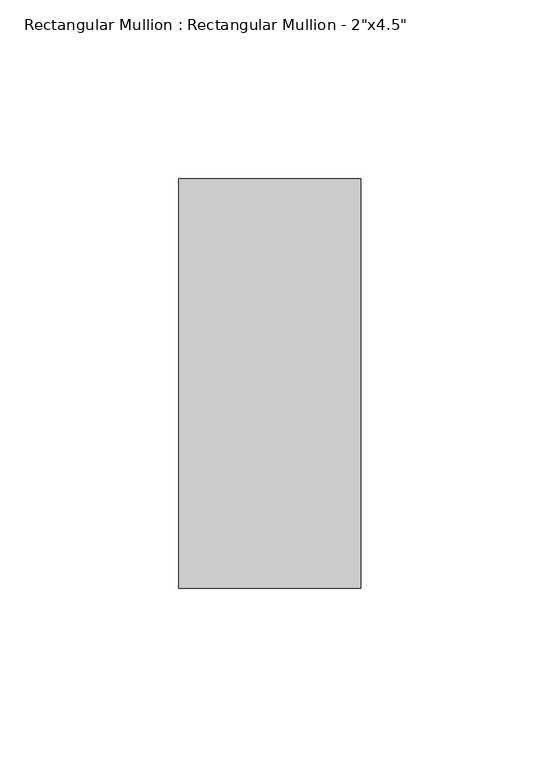
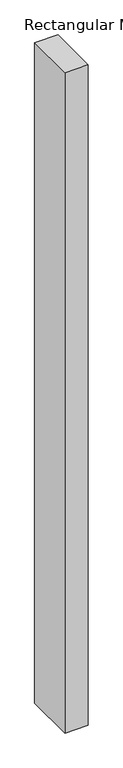
"""IFC4 building model written with IfcOpenShell, lengths in millimetres: member geometry."""

from ifc_helpers import new_model, si_unit, frame, origin, place, context, project, spatial, polyline, outline, extrude, source, transform, mapped, element, save


def member_c7342bfc(model_context):
    return source(origin(), model_context, "Body", "SweptSolid", [
        extrude(outline(polyline([(0.0, 57.15), (0.0, -57.15), (-50.8, -57.15), (-50.8, 57.15), (0.0, 57.15)])), frame((0.0, 0.0, -1524.0), z_axis=(0.0, 0.0, 1.0), x_axis=(1.0, 0.0, 0.0)), (0.0, 0.0, 1.0), 1524.0),
    ])


if __name__ == "__main__":
    model = new_model("IFC4")
    model_context = context("Model", 3, world=origin())
    ifc_project = project(units=[si_unit("LENGTHUNIT", "METRE", prefix="MILLI")], contexts=[model_context])
    site = spatial("IfcSite", under=ifc_project)
    building = spatial("IfcBuilding", under=site)
    placement = place(None, origin())
    member_shape = member_c7342bfc(model_context)
    element("IfcMember", 1, ObjectType="Rectangular Mullion : Rectangular Mullion - 2\"x4.5\"", at=placement, inside=building, context=model_context, shape_type="MappedRepresentation", body=[
        mapped(member_shape, transform((0.0, 0.0, 0.0), x_axis=(1.0, 0.0, 0.0), y_axis=(0.0, 1.0, 0.0), z_axis=(0.0, 0.0, 1.0))),
    ])
    save(model, "model.ifc")
